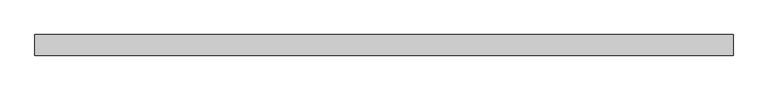
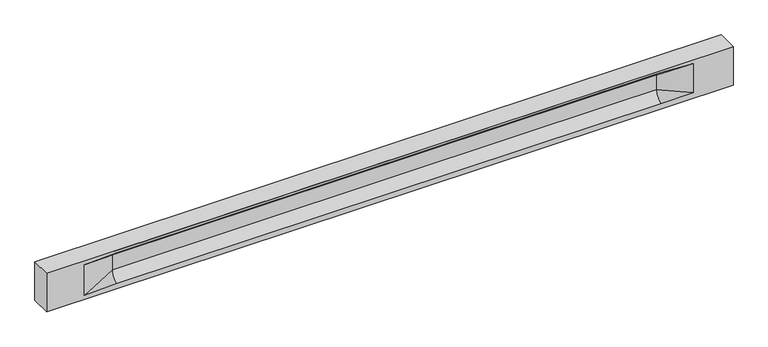
"""IFC4 building model written with IfcOpenShell, lengths in millimetres: beam geometry."""

from ifc_helpers import new_model, si_unit, frame, origin, place, context, project, spatial, polyline, circle_curve, source, transform, mapped, element, save
from ifc_brep_helpers import plane_surface, revolved_surface, spline_surface, advanced_brep


def beam_22ccaab9(model_context):
    return source(origin(), model_context, "Body", "AdvancedBrep", [
        advanced_brep(
        [(8443.0, -250.0, 500.0), (8443.0, -250.0, -500.0), (8443.0, 250.0, -500.0), (8443.0, 250.0, 500.0), (-8443.0, -250.0, 500.0), (-8443.0, -250.0, -500.0), (7468.0, -250.0, -362.0), (6668.0, -250.0, -360.0), (-6713.0, -250.0, -360.0), (-7513.0, -250.0, -400.0), (-7513.0, -250.0, 400.0), (-6713.0, -250.0, 435.0), (6668.0, -250.0, 435.0), (7468.0, -250.0, 400.0), (-8443.0, 250.0, -500.0), (-8443.0, 250.0, 500.0), (7468.0, 250.0, 400.0), (6668.0, 250.0, 435.0), (-6713.0, 250.0, 435.0), (-7513.0, 250.0, 400.0), (-7513.0, 250.0, -400.0), (-6713.0, 250.0, -360.0), (6668.0, 250.0, -360.0), (7468.0, 250.0, -362.0), (6668.0, 155.0, 405.0), (-6713.0, 155.0, 405.0), (6668.0, 60.0, 262.777021), (-6713.0, 60.0, 262.777021), (6668.0, 60.0, -120.0), (-6713.0, 60.0, -120.0), (6668.0, -60.0, -120.0), (-6713.0, -60.0, -120.0), (6668.0, -60.0, 262.777021), (-6713.0, -60.0, 262.777021), (6668.0, -155.0, 405.0), (-6713.0, -155.0, 405.0)],
        [
            (0, 1),
            (1, 2),
            (2, 3),
            (3, 0),
            (0, 4),
            (4, 5),
            (5, 1),
            (6, 7),
            (7, 8),
            (8, 9),
            (9, 10),
            (10, 11),
            (11, 12),
            (12, 13),
            (13, 6),
            (5, 14),
            (14, 2),
            (14, 15),
            (15, 3),
            (16, 17),
            (17, 18),
            (18, 19),
            (19, 20),
            (20, 21),
            (21, 22),
            (22, 23),
            (23, 16),
            (15, 4),
            (17, 24),
            (24, 25),
            (25, 18),
            (24, 26, circle_curve(frame((6668.0, 213.9598725, 262.777021), z_axis=(1.0, 0.0, 0.0), x_axis=(0.0, 1.0, 0.0)), 153.9598725)),
            (26, 27),
            (27, 25, circle_curve(frame((-6713.0, 213.9598725, 262.777021), z_axis=(-1.0, 0.0, 0.0), x_axis=(0.0, 1.0, 0.0)), 153.9598725)),
            (26, 28),
            (28, 29),
            (29, 27),
            (28, 22, circle_curve(frame((6668.0, 306.5789474, -120.0), z_axis=(1.0, 0.0, 0.0), x_axis=(0.0, 1.0, 0.0)), 246.5789474)),
            (21, 29, circle_curve(frame((-6713.0, 306.5789474, -120.0), z_axis=(-1.0, 0.0, 0.0), x_axis=(0.0, 1.0, 0.0)), 246.5789474)),
            (7, 30, circle_curve(frame((6668.0, -306.5789474, -120.0), z_axis=(1.0, 0.0, 0.0), x_axis=(0.0, 1.0, 0.0)), 246.5789474)),
            (30, 31),
            (31, 8, circle_curve(frame((-6713.0, -306.5789474, -120.0), z_axis=(-1.0, 0.0, 0.0), x_axis=(0.0, 1.0, 0.0)), 246.5789474)),
            (30, 32),
            (32, 33),
            (33, 31),
            (32, 34, circle_curve(frame((6668.0, -213.9598725, 262.777021), z_axis=(1.0, 0.0, 0.0), x_axis=(0.0, 1.0, 0.0)), 153.9598725)),
            (34, 35),
            (35, 33, circle_curve(frame((-6713.0, -213.9598725, 262.777021), z_axis=(-1.0, 0.0, 0.0), x_axis=(0.0, 1.0, 0.0)), 153.9598725)),
            (34, 12),
            (11, 35),
            (27, 19),
            (19, 25),
            (10, 35),
            (10, 33),
            (9, 31),
            (20, 29),
            (34, 13),
            (32, 13),
            (30, 6),
            (28, 23),
            (26, 16),
            (24, 16),
        ],
        [
            plane_surface(frame((8443.0, 0.0, 0.0), z_axis=(1.0, 0.0, 0.0), x_axis=(0.0, 0.0, 1.0))),
            plane_surface(frame((8443.0, -250.0, 500.0), z_axis=(0.0, -1.0, 0.0), x_axis=(-1.0, 0.0, 0.0))),
            plane_surface(frame((8443.0, -250.0, -500.0), z_axis=(0.0, 0.0, -1.0), x_axis=(-1.0, 0.0, 0.0))),
            plane_surface(frame((8443.0, 250.0, -500.0), z_axis=(0.0, 1.0, 0.0), x_axis=(-1.0, 0.0, 0.0))),
            plane_surface(frame((8443.0, 250.0, 500.0), z_axis=(0.0, 0.0, 1.0), x_axis=(-1.0, 0.0, 0.0))),
            plane_surface(frame((-6713.0, 250.0, 435.0), z_axis=(0.0, 0.30113136793710954, -0.9535826651341378), x_axis=(1.0, 0.0, 0.0))),
            revolved_surface(polyline([(6668.0, 367.919745, 262.777021), (-6713.0, 367.919745, 262.777021)]), (-6713.0, 213.9598725, 262.777021), (1.0, 0.0, 0.0)),
            plane_surface(frame((-6713.0, 60.0, 262.777021), z_axis=(0.0, 1.0, 0.0), x_axis=(1.0, 0.0, 0.0))),
            revolved_surface(polyline([(6668.0, 553.1578948, -120.0), (-6713.0, 553.1578948, -120.0)]), (-6713.0, 306.5789474, -120.0), (1.0, 0.0, 0.0)),
            revolved_surface(polyline([(6668.0, -60.0, -120.0), (-6713.0, -60.0, -120.0)]), (-6713.0, -306.5789474, -120.0), (1.0, 0.0, 0.0)),
            plane_surface(frame((-6713.0, -60.0, -120.0), z_axis=(0.0, -1.0, 0.0), x_axis=(1.0, 0.0, 0.0))),
            revolved_surface(polyline([(6668.0, -60.0, 262.777021), (-6713.0, -60.0, 262.777021)]), (-6713.0, -213.9598725, 262.777021), (1.0, 0.0, 0.0)),
            plane_surface(frame((-6713.0, -155.0, 405.0), z_axis=(0.0, -0.30113136793710693, -0.9535826651341387), x_axis=(1.0, 0.0, 0.0))),
            spline_surface(2, 1, [[(-7513.0, 250.0, 400.0), (-6713.0, 60.0, 262.777021)], [(-7513.0, 250.0, 400.0), (-6713.0, 59.99999995452379, 365.6168572954922)], [(-7513.0, 250.0, 400.0), (-6713.0, 155.0, 405.0)]], [3, 3], [2, 2], [0.0, 1.0], [0.0, 1.0], weights=[[1.0, 1.0], [0.8315515921160737, 0.8315515921160737], [1.0, 1.0]]),
            plane_surface(frame((-7513.0, 250.0, 400.0), z_axis=(0.041682982855687944, 0.30086965068766386, -0.9527538938442265), x_axis=(0.0, 0.9535826651341378, 0.30113136793710954))),
            plane_surface(frame((-7513.0, -250.0, 400.0), z_axis=(0.041682982855687965, -0.30086965068766125, -0.9527538938442274), x_axis=(0.0, 0.9535826651341387, -0.30113136793710693))),
            spline_surface(2, 1, [[(-7513.0, -250.0, 400.0), (-6713.0, -155.0, 405.0)], [(-7513.0, -250.0, 400.0), (-6713.0, -60.00000008030692, 365.6168572114734)], [(-7513.0, -250.0, 400.0), (-6713.0, -60.0, 262.777021)]], [3, 3], [2, 2], [0.0, 1.0], [0.0, 1.0], weights=[[1.0, 1.0], [0.8315515924557569, 0.8315515924557569], [1.0, 1.0]]),
            plane_surface(frame((-7513.0, -250.0, 0.0), z_axis=(0.23107243079590054, -0.9729365507195594, 0.0), x_axis=(0.0, 0.0, -1.0))),
            spline_surface(2, 1, [[(-7513.0, -250.0, -400.0), (-6713.0, -60.0, -120.0)], [(-7513.0, -250.0, -400.0), (-6713.0, -59.99999998020837, -315.20833333333337)], [(-7513.0, -250.0, -400.0), (-6713.0, -250.0, -360.0)]], [3, 3], [2, 2], [0.0, 1.0], [0.0, 1.0], weights=[[1.0, 1.0], [0.7840458244617614, 0.7840458244617614], [1.0, 1.0]]),
            spline_surface(2, 1, [[(-7513.0, 250.0, -400.0), (-6713.0, 250.0, -360.0)], [(-7513.0, 250.0, -400.0), (-6713.0, 60.00000002887427, -315.20833329480604)], [(-7513.0, 250.0, -400.0), (-6713.0, 60.0, -120.0)]], [3, 3], [2, 2], [0.0, 1.0], [0.0, 1.0], weights=[[1.0, 1.0], [0.7840458245391329, 0.7840458245391329], [1.0, 1.0]]),
            plane_surface(frame((-7513.0, 250.0, 0.0), z_axis=(0.23107243079589623, 0.9729365507195604, 0.0), x_axis=(0.0, 0.0, 1.0))),
            plane_surface(frame((-8443.0, 0.0, 0.0), z_axis=(-1.0, 0.0, 0.0), x_axis=(0.0, 0.0, 1.0))),
            plane_surface(frame((6668.0, -202.5, 420.0), z_axis=(-0.04168298285568746, -0.30086965068766125, -0.9527538938442274), x_axis=(0.0, 0.9535826651341387, -0.30113136793710693))),
            spline_surface(2, 1, [[(6668.0, -155.0, 405.0), (7468.0, -250.0, 400.0)], [(6668.0, -60.00000008030692, 365.6168572114734), (7468.0, -250.0, 400.0)], [(6668.0, -60.0, 262.777021), (7468.0, -250.0, 400.0)]], [3, 3], [2, 2], [0.0, 1.0], [0.0, 1.0], weights=[[1.0, 1.0], [0.8315515924557569, 0.8315515924557569], [1.0, 1.0]]),
            plane_surface(frame((6668.0, -60.0, 71.3885105), z_axis=(-0.23107243079589737, -0.9729365507195602, 0.0), x_axis=(0.0, 0.0, -1.0))),
            spline_surface(2, 1, [[(6668.0, -60.0, -120.0), (7468.0, -250.0, -362.0)], [(6668.0, -59.99999998020837, -315.20833333333337), (7468.0, -250.0, -362.0)], [(6668.0, -250.0, -360.0), (7468.0, -250.0, -362.0)]], [3, 3], [2, 2], [0.0, 1.0], [0.0, 1.0], weights=[[1.0, 1.0], [0.7840458244617614, 0.7840458244617614], [1.0, 1.0]]),
            spline_surface(2, 1, [[(6668.0, 250.0, -360.0), (7468.0, 250.0, -362.0)], [(6668.0, 60.00000002887427, -315.20833329480604), (7468.0, 250.0, -362.0)], [(6668.0, 60.0, -120.0), (7468.0, 250.0, -362.0)]], [3, 3], [2, 2], [0.0, 1.0], [0.0, 1.0], weights=[[1.0, 1.0], [0.7840458245391329, 0.7840458245391329], [1.0, 1.0]]),
            plane_surface(frame((6668.0, 60.0, 71.3885105), z_axis=(-0.23107243079589093, 0.9729365507195618, 0.0), x_axis=(0.0, 0.0, 1.0))),
            spline_surface(2, 1, [[(6668.0, 60.0, 262.777021), (7468.0, 250.0, 400.0)], [(6668.0, 59.99999995452379, 365.6168572954922), (7468.0, 250.0, 400.0)], [(6668.0, 155.0, 405.0), (7468.0, 250.0, 400.0)]], [3, 3], [2, 2], [0.0, 1.0], [0.0, 1.0], weights=[[1.0, 1.0], [0.8315515921160737, 0.8315515921160737], [1.0, 1.0]]),
            plane_surface(frame((6668.0, 202.5, 420.0), z_axis=(-0.04168298285568672, 0.30086965068766386, -0.9527538938442265), x_axis=(0.0, 0.9535826651341378, 0.30113136793710954))),
        ],
        [
            (0, [[1, 2, 3, 4]]),
            (1, [[-1, 5, 6, 7], [8, 9, 10, 11, 12, 13, 14, 15]]),
            (2, [[-2, -7, 16, 17]]),
            (3, [[-3, -17, 18, 19], [20, 21, 22, 23, 24, 25, 26, 27]]),
            (4, [[-5, -4, -19, 28]]),
            (5, [[-21, 29, 30, 31]]),
            (6, [[-30, 32, 33, 34]]),
            (7, [[-33, 35, 36, 37]]),
            (8, [[-36, 38, -25, 39]]),
            (9, [[-9, 40, 41, 42]]),
            (10, [[-41, 43, 44, 45]]),
            (11, [[-44, 46, 47, 48]]),
            (12, [[-47, 49, -13, 50]]),
            (13, [[51, 52, -34]]),
            (14, [[-52, -22, -31]]),
            (15, [[-12, 53, -50]]),
            (16, [[-53, 54, -48]]),
            (17, [[-54, -11, 55, -45]]),
            (18, [[-55, -10, -42]]),
            (19, [[-24, 56, -39]]),
            (20, [[-51, -37, -56, -23]]),
            (21, [[-28, -18, -16, -6]]),
            (22, [[-14, -49, 57]]),
            (23, [[-57, -46, 58]]),
            (24, [[-58, -43, 59, -15]]),
            (25, [[-59, -40, -8]]),
            (26, [[-26, -38, 60]]),
            (27, [[-60, -35, 61, -27]]),
            (28, [[-61, -32, 62]]),
            (29, [[-62, -29, -20]]),
        ],
    ),
    ])


if __name__ == "__main__":
    model = new_model("IFC4")
    model_context = context("Model", 3, world=origin())
    ifc_project = project(units=[si_unit("LENGTHUNIT", "METRE", prefix="MILLI")], contexts=[model_context])
    site = spatial("IfcSite", under=ifc_project)
    building = spatial("IfcBuilding", under=site)
    placement = place(None, origin())
    beam_shape = beam_22ccaab9(model_context)
    element("IfcBeam", 1, at=placement, inside=building, context=model_context, shape_type="MappedRepresentation", body=[
        mapped(beam_shape, transform((0.0, 0.0, 0.0), x_axis=(1.0, 0.0, 0.0), y_axis=(0.0, 1.0, 0.0), z_axis=(0.0, 0.0, 1.0))),
    ])
    save(model, "model.ifc")
